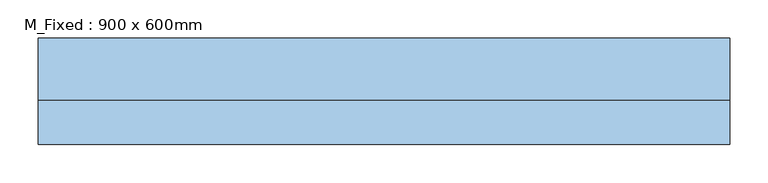
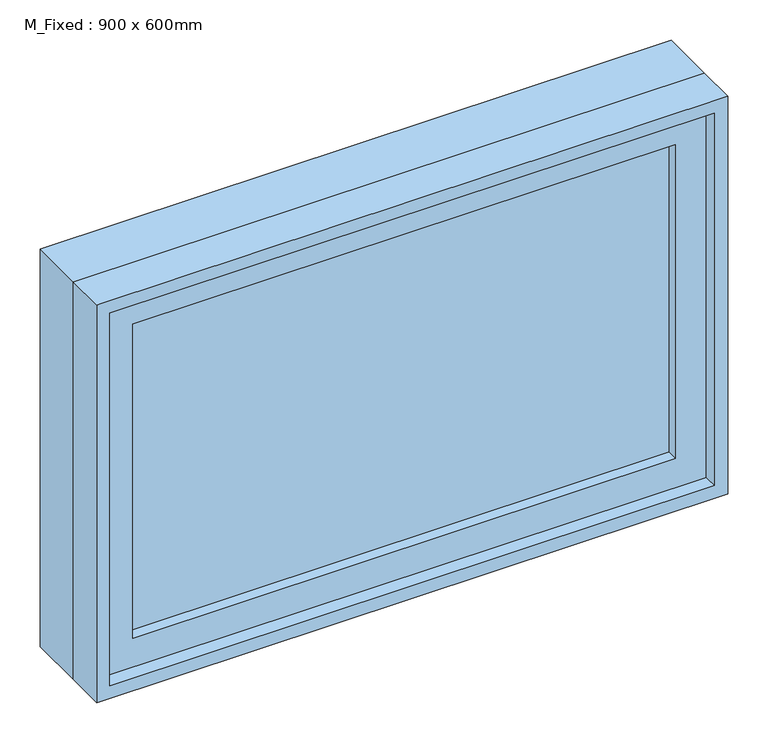
"""IFC4 building model written with IfcOpenShell, lengths in millimetres: window geometry, M_Fixed : 900 x 600mm."""

from ifc_helpers import new_model, si_unit, frame, origin, place, context, project, spatial, polyline, outline, extrude, source, transform, mapped, element, save


def m_fixed_900_x_600mm_e1def2d9(model_context):
    return source(origin(), model_context, "Body", "SweptSolid", [
        extrude(outline(polyline([(-387.0, -46.25), (-387.0, -34.25), (387.0, -34.25), (387.0, -46.25), (-387.0, -46.25)])), frame((0.0, 0.0, 963.0), z_axis=(0.0, 0.0, 1.0), x_axis=(1.0, 0.0, 0.0)), (0.0, 0.0, 1.0), 474.0),
        extrude(outline(polyline([(1481.0, -431.0), (919.0, -431.0), (919.0, 431.0), (1481.0, 431.0), (1481.0, -431.0)]), holes=[polyline([(1437.0, -387.0), (1437.0, 387.0), (963.0, 387.0), (963.0, -387.0), (1437.0, -387.0)])]), frame((0.0, -62.25, 0.0), z_axis=(0.0, 1.0, 0.0), x_axis=(0.0, 0.0, 1.0)), (0.0, 0.0, 1.0), 37.25),
        extrude(outline(polyline([(1500.0, -450.0), (900.0, -450.0), (900.0, 450.0), (1500.0, 450.0), (1500.0, -450.0)]), holes=[polyline([(1481.0, -431.0), (1481.0, 431.0), (919.0, 431.0), (919.0, -431.0), (1481.0, -431.0)])]), frame((0.0, -82.25, 0.0), z_axis=(0.0, 1.0, 0.0), x_axis=(0.0, 0.0, 1.0)), (0.0, 0.0, 1.0), 57.25),
        extrude(outline(polyline([(1500.0, -450.0), (900.0, -450.0), (900.0, 450.0), (1500.0, 450.0), (1500.0, -450.0)]), holes=[polyline([(1468.0, -418.0), (1468.0, 418.0), (932.0, 418.0), (932.0, -418.0), (1468.0, -418.0)])]), frame((0.0, -25.0, 0.0), z_axis=(0.0, 1.0, 0.0), x_axis=(0.0, 0.0, 1.0)), (0.0, 0.0, 1.0), 81.25),
    ])


if __name__ == "__main__":
    model = new_model("IFC4")
    model_context = context("Model", 3, world=origin())
    ifc_project = project(units=[si_unit("LENGTHUNIT", "METRE", prefix="MILLI")], contexts=[model_context])
    site = spatial("IfcSite", under=ifc_project)
    building = spatial("IfcBuilding", under=site)
    placement = place(None, origin())
    m_fixed_900_x_600mm_shape = m_fixed_900_x_600mm_e1def2d9(model_context)
    element("IfcWindow", 1, ObjectType="M_Fixed : 900 x 600mm", at=placement, inside=building, context=model_context, shape_type="MappedRepresentation", body=[
        mapped(m_fixed_900_x_600mm_shape, transform((0.0, 0.0, 0.0), x_axis=(1.0, 0.0, 0.0), y_axis=(0.0, 1.0, 0.0), z_axis=(0.0, 0.0, 1.0))),
    ])
    save(model, "model.ifc")
